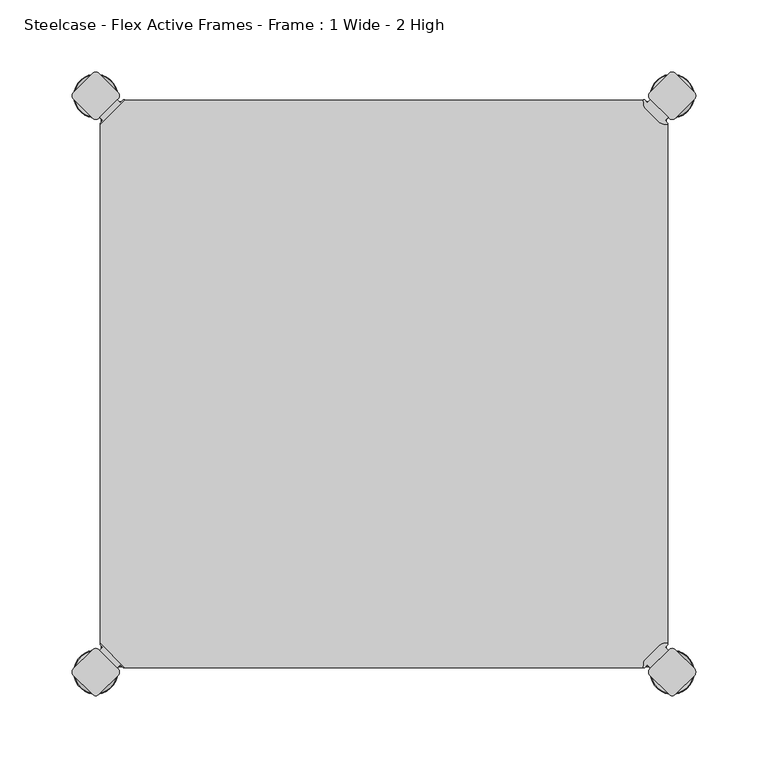
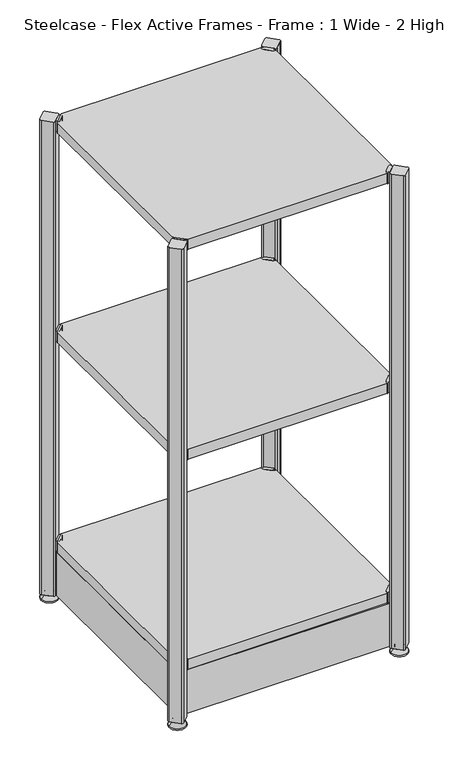
"""IFC4 building model written with IfcOpenShell, lengths in millimetres: furniture geometry, Steelcase - Flex Active Frames - Frame : 1 Wide - 2 High."""

from ifc_helpers import new_model, si_unit, point, frame, frame_2d, origin, place, context, project, spatial, polyline, circle_curve, ellipse_curve, trimmed, segment, composite_curve, outline, extrude, source, transform, mapped, element, save
from ifc_brep_helpers import plane_surface, cylinder_surface, revolved_surface, advanced_brep


def steelcase_flex_active_frames_frame_1_wide_2_high_b37c4fc7(model_context):
    return source(origin(), model_context, "Body", "SolidModel", [
        advanced_brep(
        [(397.0189896, -396.9286835, 0.0), (410.9677105, -396.9286835, 0.0), (383.0702688, -396.9286835, 0.0), (411.9146181, -396.9286835, 2.116325), (382.1233612, -396.9286835, 2.116325), (405.7623742, -396.9286835, 8.9997406), (388.2756051, -396.9286835, 8.9997406), (404.4198582, -396.9286835, 8.9997406), (389.6181211, -396.9286835, 8.9997406), (404.4198582, -396.9286835, 12.0919909), (389.6181211, -396.9286835, 12.0919909), (403.9118582, -396.9286835, 12.5999909), (390.1261211, -396.9286835, 12.5999909), (401.03832, -396.9286835, 12.5999909), (392.9996593, -396.9286835, 12.5999909), (401.03832, -396.9286835, 22.7146261), (392.9996593, -396.9286835, 22.7146261), (397.0189896, -396.9286835, 22.7146261)],
        [
            (0, 1),
            (1, 2, circle_curve(frame((397.0189896, -396.9286835, 0.0), z_axis=(0.0, 0.0, -1.0), x_axis=(1.0, 0.0, 0.0)), 13.9487209)),
            (2, 0),
            (2, 1, circle_curve(frame((397.0189896, -396.9286835, 0.0), z_axis=(0.0, 0.0, -1.0), x_axis=(1.0, 0.0, 0.0)), 13.9487209)),
            (1, 3, circle_curve(frame((410.9677105, -396.9286835, 1.27), z_axis=(0.0, -1.0, 0.0), x_axis=(1.0, 0.0, 0.0)), 1.27)),
            (3, 4, circle_curve(frame((397.0189896, -396.9286835, 2.116325), z_axis=(0.0, 0.0, -1.0), x_axis=(1.0, 0.0, 0.0)), 14.8956285)),
            (4, 2, circle_curve(frame((383.0702688, -396.9286835, 1.27), z_axis=(0.0, -1.0, 0.0), x_axis=(-1.0, 0.0, 0.0)), 1.27)),
            (4, 3, circle_curve(frame((397.0189896, -396.9286835, 2.116325), z_axis=(0.0, 0.0, -1.0), x_axis=(1.0, 0.0, 0.0)), 14.8956285)),
            (3, 5),
            (5, 6, circle_curve(frame((397.0189896, -396.9286835, 8.9997406), z_axis=(0.0, 0.0, -1.0), x_axis=(1.0, 0.0, 0.0)), 8.7433846)),
            (6, 4),
            (6, 5, circle_curve(frame((397.0189896, -396.9286835, 8.9997406), z_axis=(0.0, 0.0, -1.0), x_axis=(1.0, 0.0, 0.0)), 8.7433846)),
            (5, 7),
            (7, 8, circle_curve(frame((397.0189896, -396.9286835, 8.9997406), z_axis=(0.0, 0.0, -1.0), x_axis=(1.0, 0.0, 0.0)), 7.4008685)),
            (8, 6),
            (8, 7, circle_curve(frame((397.0189896, -396.9286835, 8.9997406), z_axis=(0.0, 0.0, -1.0), x_axis=(1.0, 0.0, 0.0)), 7.4008685)),
            (7, 9),
            (9, 10, circle_curve(frame((397.0189896, -396.9286835, 12.0919909), z_axis=(0.0, 0.0, -1.0), x_axis=(1.0, 0.0, 0.0)), 7.4008685)),
            (10, 8),
            (10, 9, circle_curve(frame((397.0189896, -396.9286835, 12.0919909), z_axis=(0.0, 0.0, -1.0), x_axis=(1.0, 0.0, 0.0)), 7.4008685)),
            (9, 11, circle_curve(frame((403.9118582, -396.9286835, 12.0919909), z_axis=(0.0, -1.0, 0.0), x_axis=(1.0, 0.0, 0.0)), 0.508)),
            (11, 12, circle_curve(frame((397.0189896, -396.9286835, 12.5999909), z_axis=(0.0, 0.0, -1.0), x_axis=(1.0, 0.0, 0.0)), 6.8928685)),
            (12, 10, circle_curve(frame((390.1261211, -396.9286835, 12.0919909), z_axis=(0.0, -1.0, 0.0), x_axis=(-1.0, 0.0, 0.0)), 0.508)),
            (12, 11, circle_curve(frame((397.0189896, -396.9286835, 12.5999909), z_axis=(0.0, 0.0, -1.0), x_axis=(1.0, 0.0, 0.0)), 6.8928685)),
            (11, 13),
            (13, 14, circle_curve(frame((397.0189896, -396.9286835, 12.5999909), z_axis=(0.0, 0.0, -1.0), x_axis=(1.0, 0.0, 0.0)), 4.0193303)),
            (14, 12),
            (14, 13, circle_curve(frame((397.0189896, -396.9286835, 12.5999909), z_axis=(0.0, 0.0, -1.0), x_axis=(1.0, 0.0, 0.0)), 4.0193303)),
            (13, 15),
            (15, 16, circle_curve(frame((397.0189896, -396.9286835, 22.7146261), z_axis=(0.0, 0.0, -1.0), x_axis=(1.0, 0.0, 0.0)), 4.0193303)),
            (16, 14),
            (16, 15, circle_curve(frame((397.0189896, -396.9286835, 22.7146261), z_axis=(0.0, 0.0, -1.0), x_axis=(1.0, 0.0, 0.0)), 4.0193303)),
            (15, 17),
            (17, 16),
        ],
        [
            plane_surface(frame((397.0189896, -396.9286835, 0.0), z_axis=(0.0, 0.0, -1.0), x_axis=(1.0, 0.0, 0.0))),
            revolved_surface(trimmed(ellipse_curve(frame((410.9677105, -396.9286835, 1.27), z_axis=(0.0, 1.0, 0.0), x_axis=(1.0, 0.0, 0.0)), 1.27, 1.27), [point((411.9146181, -396.9286835, 2.116325))], [point((410.9677105, -396.9286835, 0.0))], True, "CARTESIAN"), (397.0189896, -396.9286835, 32.0514718), (0.0, 0.0, -1.0)),
            revolved_surface(polyline([(405.7623742, -396.9286835, 8.9997406), (411.9146181, -396.9286835, 2.116325)]), (397.0189896, -396.9286835, 32.0514718), (0.0, 0.0, -1.0)),
            plane_surface(frame((397.0189896, -396.9286835, 8.9997406), z_axis=(0.0, 0.0, 1.0), x_axis=(1.0, 0.0, 0.0))),
            cylinder_surface(frame((397.0189896, -396.9286835, 32.0514718), z_axis=(0.0, 0.0, -1.0), x_axis=(1.0, 0.0, 0.0)), 7.4008685),
            revolved_surface(trimmed(ellipse_curve(frame((403.9118582, -396.9286835, 12.0919909), z_axis=(0.0, 1.0, 0.0), x_axis=(1.0, 0.0, 0.0)), 0.508, 0.508), [point((403.9118582, -396.9286835, 12.5999909))], [point((404.4198582, -396.9286835, 12.0919909))], True, "CARTESIAN"), (397.0189896, -396.9286835, 32.0514718), (0.0, 0.0, -1.0)),
            plane_surface(frame((397.0189896, -396.9286835, 12.5999909), z_axis=(0.0, 0.0, 1.0), x_axis=(1.0, 0.0, 0.0))),
            cylinder_surface(frame((397.0189896, -396.9286835, 32.0514718), z_axis=(0.0, 0.0, -1.0), x_axis=(1.0, 0.0, 0.0)), 4.0193303),
            plane_surface(frame((397.0189896, -396.9286835, 22.7146261), z_axis=(0.0, 0.0, 1.0), x_axis=(1.0, 0.0, 0.0))),
        ],
        [
            (0, [[1, 2, 3]]),
            (0, [[-3, 4, -1]]),
            (1, [[-2, 5, 6, 7]]),
            (1, [[-4, -7, 8, -5]]),
            (2, [[-6, 9, 10, 11]]),
            (2, [[-8, -11, 12, -9]]),
            (3, [[-10, 13, 14, 15]]),
            (3, [[-12, -15, 16, -13]]),
            (4, [[-14, 17, 18, 19]]),
            (4, [[-16, -19, 20, -17]]),
            (5, [[-18, 21, 22, 23]]),
            (5, [[-20, -23, 24, -21]]),
            (6, [[-22, 25, 26, 27]]),
            (6, [[-24, -27, 28, -25]]),
            (7, [[-26, 29, 30, 31]]),
            (7, [[-28, -31, 32, -29]]),
            (8, [[-30, 33, 34]]),
            (8, [[-32, -34, -33]]),
        ],
    ),
        advanced_brep(
        [(397.0189896, 2.9246323, 0.0), (383.0702688, 2.9246323, 0.0), (410.9677105, 2.9246323, 0.0), (382.1233612, 2.9246323, 2.116325), (411.9146181, 2.9246323, 2.116325), (388.2756051, 2.9246323, 8.9997406), (405.7623742, 2.9246323, 8.9997406), (389.6181211, 2.9246323, 8.9997406), (404.4198582, 2.9246323, 8.9997406), (389.6181211, 2.9246323, 12.0919909), (404.4198582, 2.9246323, 12.0919909), (390.1261211, 2.9246323, 12.5999909), (403.9118582, 2.9246323, 12.5999909), (392.9996593, 2.9246323, 12.5999909), (401.03832, 2.9246323, 12.5999909), (392.9996593, 2.9246323, 22.7146261), (401.03832, 2.9246323, 22.7146261), (397.0189896, 2.9246323, 22.7146261)],
        [
            (0, 1),
            (1, 2, circle_curve(frame((397.0189896, 2.9246323, 0.0), z_axis=(0.0, 0.0, -1.0), x_axis=(1.0, 0.0, 0.0)), 13.9487209)),
            (2, 0),
            (2, 1, circle_curve(frame((397.0189896, 2.9246323, 0.0), z_axis=(0.0, 0.0, -1.0), x_axis=(1.0, 0.0, 0.0)), 13.9487209)),
            (1, 3, circle_curve(frame((383.0702688, 2.9246323, 1.27), z_axis=(0.0, 1.0, 0.0), x_axis=(-1.0, 0.0, 0.0)), 1.27)),
            (3, 4, circle_curve(frame((397.0189896, 2.9246323, 2.116325), z_axis=(0.0, 0.0, -1.0), x_axis=(1.0, 0.0, 0.0)), 14.8956285)),
            (4, 2, circle_curve(frame((410.9677105, 2.9246323, 1.27), z_axis=(0.0, 1.0, 0.0), x_axis=(1.0, 0.0, 0.0)), 1.27)),
            (4, 3, circle_curve(frame((397.0189896, 2.9246323, 2.116325), z_axis=(0.0, 0.0, -1.0), x_axis=(1.0, 0.0, 0.0)), 14.8956285)),
            (3, 5),
            (5, 6, circle_curve(frame((397.0189896, 2.9246323, 8.9997406), z_axis=(0.0, 0.0, -1.0), x_axis=(1.0, 0.0, 0.0)), 8.7433846)),
            (6, 4),
            (6, 5, circle_curve(frame((397.0189896, 2.9246323, 8.9997406), z_axis=(0.0, 0.0, -1.0), x_axis=(1.0, 0.0, 0.0)), 8.7433846)),
            (5, 7),
            (7, 8, circle_curve(frame((397.0189896, 2.9246323, 8.9997406), z_axis=(0.0, 0.0, -1.0), x_axis=(1.0, 0.0, 0.0)), 7.4008685)),
            (8, 6),
            (8, 7, circle_curve(frame((397.0189896, 2.9246323, 8.9997406), z_axis=(0.0, 0.0, -1.0), x_axis=(1.0, 0.0, 0.0)), 7.4008685)),
            (7, 9),
            (9, 10, circle_curve(frame((397.0189896, 2.9246323, 12.0919909), z_axis=(0.0, 0.0, -1.0), x_axis=(1.0, 0.0, 0.0)), 7.4008685)),
            (10, 8),
            (10, 9, circle_curve(frame((397.0189896, 2.9246323, 12.0919909), z_axis=(0.0, 0.0, -1.0), x_axis=(1.0, 0.0, 0.0)), 7.4008685)),
            (9, 11, circle_curve(frame((390.1261211, 2.9246323, 12.0919909), z_axis=(0.0, 1.0, 0.0), x_axis=(-1.0, 0.0, 0.0)), 0.508)),
            (11, 12, circle_curve(frame((397.0189896, 2.9246323, 12.5999909), z_axis=(0.0, 0.0, -1.0), x_axis=(1.0, 0.0, 0.0)), 6.8928685)),
            (12, 10, circle_curve(frame((403.9118582, 2.9246323, 12.0919909), z_axis=(0.0, 1.0, 0.0), x_axis=(1.0, 0.0, 0.0)), 0.508)),
            (12, 11, circle_curve(frame((397.0189896, 2.9246323, 12.5999909), z_axis=(0.0, 0.0, -1.0), x_axis=(1.0, 0.0, 0.0)), 6.8928685)),
            (11, 13),
            (13, 14, circle_curve(frame((397.0189896, 2.9246323, 12.5999909), z_axis=(0.0, 0.0, -1.0), x_axis=(1.0, 0.0, 0.0)), 4.0193303)),
            (14, 12),
            (14, 13, circle_curve(frame((397.0189896, 2.9246323, 12.5999909), z_axis=(0.0, 0.0, -1.0), x_axis=(1.0, 0.0, 0.0)), 4.0193303)),
            (13, 15),
            (15, 16, circle_curve(frame((397.0189896, 2.9246323, 22.7146261), z_axis=(0.0, 0.0, -1.0), x_axis=(1.0, 0.0, 0.0)), 4.0193303)),
            (16, 14),
            (16, 15, circle_curve(frame((397.0189896, 2.9246323, 22.7146261), z_axis=(0.0, 0.0, -1.0), x_axis=(1.0, 0.0, 0.0)), 4.0193303)),
            (15, 17),
            (17, 16),
        ],
        [
            plane_surface(frame((397.0189896, 2.9246323, 0.0), z_axis=(0.0, 0.0, -1.0), x_axis=(1.0, 0.0, 0.0))),
            revolved_surface(trimmed(ellipse_curve(frame((410.9677105, 2.9246323, 1.27), z_axis=(0.0, 1.0, 0.0), x_axis=(1.0, 0.0, 0.0)), 1.27, 1.27), [point((411.9146181, 2.9246323, 2.116325))], [point((410.9677105, 2.9246323, 0.0))], True, "CARTESIAN"), (397.0189896, 2.9246323, 32.0514718), (0.0, 0.0, -1.0)),
            revolved_surface(polyline([(405.7623742, 2.9246323, 8.9997406), (411.9146181, 2.9246323, 2.116325)]), (397.0189896, 2.9246323, 32.0514718), (0.0, 0.0, -1.0)),
            plane_surface(frame((397.0189896, 2.9246323, 8.9997406), z_axis=(0.0, 0.0, 1.0), x_axis=(1.0, 0.0, 0.0))),
            cylinder_surface(frame((397.0189896, 2.9246323, 32.0514718), z_axis=(0.0, 0.0, -1.0), x_axis=(1.0, 0.0, 0.0)), 7.4008685),
            revolved_surface(trimmed(ellipse_curve(frame((403.9118582, 2.9246323, 12.0919909), z_axis=(0.0, 1.0, 0.0), x_axis=(1.0, 0.0, 0.0)), 0.508, 0.508), [point((403.9118582, 2.9246323, 12.5999909))], [point((404.4198582, 2.9246323, 12.0919909))], True, "CARTESIAN"), (397.0189896, 2.9246323, 32.0514718), (0.0, 0.0, -1.0)),
            plane_surface(frame((397.0189896, 2.9246323, 12.5999909), z_axis=(0.0, 0.0, 1.0), x_axis=(1.0, 0.0, 0.0))),
            cylinder_surface(frame((397.0189896, 2.9246323, 32.0514718), z_axis=(0.0, 0.0, -1.0), x_axis=(1.0, 0.0, 0.0)), 4.0193303),
            plane_surface(frame((397.0189896, 2.9246323, 22.7146261), z_axis=(0.0, 0.0, 1.0), x_axis=(1.0, 0.0, 0.0))),
        ],
        [
            (0, [[1, 2, 3]]),
            (0, [[-3, 4, -1]]),
            (1, [[5, 6, 7, -2]]),
            (1, [[-7, 8, -5, -4]]),
            (2, [[9, 10, 11, -6]]),
            (2, [[-11, 12, -9, -8]]),
            (3, [[13, 14, 15, -10]]),
            (3, [[-15, 16, -13, -12]]),
            (4, [[17, 18, 19, -14]]),
            (4, [[-19, 20, -17, -16]]),
            (5, [[21, 22, 23, -18]]),
            (5, [[-23, 24, -21, -20]]),
            (6, [[25, 26, 27, -22]]),
            (6, [[-27, 28, -25, -24]]),
            (7, [[29, 30, 31, -26]]),
            (7, [[-31, 32, -29, -28]]),
            (8, [[33, 34, -30]]),
            (8, [[-34, -33, -32]]),
        ],
    ),
        advanced_brep(
        [(-3.0195166, -396.8786323, 0.0), (10.9292042, -396.8786323, 0.0), (-16.9682375, -396.8786323, 0.0), (11.8761118, -396.8786323, 2.116325), (-17.9151451, -396.8786323, 2.116325), (5.7238679, -396.8786323, 8.9997406), (-11.7629012, -396.8786323, 8.9997406), (4.3813519, -396.8786323, 8.9997406), (-10.4203852, -396.8786323, 8.9997406), (4.3813519, -396.8786323, 12.0919909), (-10.4203852, -396.8786323, 12.0919909), (3.8733519, -396.8786323, 12.5999909), (-9.9123852, -396.8786323, 12.5999909), (0.9998137, -396.8786323, 12.5999909), (-7.038847, -396.8786323, 12.5999909), (0.9998137, -396.8786323, 22.7146261), (-7.038847, -396.8786323, 22.7146261), (-3.0195166, -396.8786323, 22.7146261)],
        [
            (0, 1),
            (1, 2, circle_curve(frame((-3.0195166, -396.8786323, 0.0), z_axis=(0.0, 0.0, -1.0), x_axis=(-1.0, 0.0, 0.0)), 13.9487209)),
            (2, 0),
            (2, 1, circle_curve(frame((-3.0195166, -396.8786323, 0.0), z_axis=(0.0, 0.0, -1.0), x_axis=(-1.0, 0.0, 0.0)), 13.9487209)),
            (1, 3, circle_curve(frame((10.9292042, -396.8786323, 1.27), z_axis=(0.0, -1.0, 0.0), x_axis=(1.0, 0.0, 0.0)), 1.27)),
            (3, 4, circle_curve(frame((-3.0195166, -396.8786323, 2.116325), z_axis=(0.0, 0.0, -1.0), x_axis=(-1.0, 0.0, 0.0)), 14.8956285)),
            (4, 2, circle_curve(frame((-16.9682375, -396.8786323, 1.27), z_axis=(0.0, -1.0, 0.0), x_axis=(-1.0, 0.0, 0.0)), 1.27)),
            (4, 3, circle_curve(frame((-3.0195166, -396.8786323, 2.116325), z_axis=(0.0, 0.0, -1.0), x_axis=(-1.0, 0.0, 0.0)), 14.8956285)),
            (3, 5),
            (5, 6, circle_curve(frame((-3.0195166, -396.8786323, 8.9997406), z_axis=(0.0, 0.0, -1.0), x_axis=(-1.0, 0.0, 0.0)), 8.7433846)),
            (6, 4),
            (6, 5, circle_curve(frame((-3.0195166, -396.8786323, 8.9997406), z_axis=(0.0, 0.0, -1.0), x_axis=(-1.0, 0.0, 0.0)), 8.7433846)),
            (5, 7),
            (7, 8, circle_curve(frame((-3.0195166, -396.8786323, 8.9997406), z_axis=(0.0, 0.0, -1.0), x_axis=(-1.0, 0.0, 0.0)), 7.4008685)),
            (8, 6),
            (8, 7, circle_curve(frame((-3.0195166, -396.8786323, 8.9997406), z_axis=(0.0, 0.0, -1.0), x_axis=(-1.0, 0.0, 0.0)), 7.4008685)),
            (7, 9),
            (9, 10, circle_curve(frame((-3.0195166, -396.8786323, 12.0919909), z_axis=(0.0, 0.0, -1.0), x_axis=(-1.0, 0.0, 0.0)), 7.4008685)),
            (10, 8),
            (10, 9, circle_curve(frame((-3.0195166, -396.8786323, 12.0919909), z_axis=(0.0, 0.0, -1.0), x_axis=(-1.0, 0.0, 0.0)), 7.4008685)),
            (9, 11, circle_curve(frame((3.8733519, -396.8786323, 12.0919909), z_axis=(0.0, -1.0, 0.0), x_axis=(1.0, 0.0, 0.0)), 0.508)),
            (11, 12, circle_curve(frame((-3.0195166, -396.8786323, 12.5999909), z_axis=(0.0, 0.0, -1.0), x_axis=(-1.0, 0.0, 0.0)), 6.8928685)),
            (12, 10, circle_curve(frame((-9.9123852, -396.8786323, 12.0919909), z_axis=(0.0, -1.0, 0.0), x_axis=(-1.0, 0.0, 0.0)), 0.508)),
            (12, 11, circle_curve(frame((-3.0195166, -396.8786323, 12.5999909), z_axis=(0.0, 0.0, -1.0), x_axis=(-1.0, 0.0, 0.0)), 6.8928685)),
            (11, 13),
            (13, 14, circle_curve(frame((-3.0195166, -396.8786323, 12.5999909), z_axis=(0.0, 0.0, -1.0), x_axis=(-1.0, 0.0, 0.0)), 4.0193303)),
            (14, 12),
            (14, 13, circle_curve(frame((-3.0195166, -396.8786323, 12.5999909), z_axis=(0.0, 0.0, -1.0), x_axis=(-1.0, 0.0, 0.0)), 4.0193303)),
            (13, 15),
            (15, 16, circle_curve(frame((-3.0195166, -396.8786323, 22.7146261), z_axis=(0.0, 0.0, -1.0), x_axis=(-1.0, 0.0, 0.0)), 4.0193303)),
            (16, 14),
            (16, 15, circle_curve(frame((-3.0195166, -396.8786323, 22.7146261), z_axis=(0.0, 0.0, -1.0), x_axis=(-1.0, 0.0, 0.0)), 4.0193303)),
            (15, 17),
            (17, 16),
        ],
        [
            plane_surface(frame((-3.0195166, -396.8786323, 0.0), z_axis=(0.0, 0.0, -1.0), x_axis=(-1.0, 0.0, 0.0))),
            revolved_surface(trimmed(ellipse_curve(frame((-16.9682375, -396.8786323, 1.27), z_axis=(0.0, -1.0, 0.0), x_axis=(-1.0, 0.0, 0.0)), 1.27, 1.27), [point((-17.9151451, -396.8786323, 2.116325))], [point((-16.9682375, -396.8786323, 0.0))], True, "CARTESIAN"), (-3.0195166, -396.8786323, 32.0514718), (0.0, 0.0, -1.0)),
            revolved_surface(polyline([(-11.7629012, -396.8786323, 8.9997406), (-17.9151451, -396.8786323, 2.116325)]), (-3.0195166, -396.8786323, 32.0514718), (0.0, 0.0, -1.0)),
            plane_surface(frame((-3.0195166, -396.8786323, 8.9997406), z_axis=(0.0, 0.0, 1.0), x_axis=(-1.0, 0.0, 0.0))),
            cylinder_surface(frame((-3.0195166, -396.8786323, 32.0514718), z_axis=(0.0, 0.0, -1.0), x_axis=(-1.0, 0.0, 0.0)), 7.4008685),
            revolved_surface(trimmed(ellipse_curve(frame((-9.9123852, -396.8786323, 12.0919909), z_axis=(0.0, -1.0, 0.0), x_axis=(-1.0, 0.0, 0.0)), 0.508, 0.508), [point((-9.9123852, -396.8786323, 12.5999909))], [point((-10.4203852, -396.8786323, 12.0919909))], True, "CARTESIAN"), (-3.0195166, -396.8786323, 32.0514718), (0.0, 0.0, -1.0)),
            plane_surface(frame((-3.0195166, -396.8786323, 12.5999909), z_axis=(0.0, 0.0, 1.0), x_axis=(-1.0, 0.0, 0.0))),
            cylinder_surface(frame((-3.0195166, -396.8786323, 32.0514718), z_axis=(0.0, 0.0, -1.0), x_axis=(-1.0, 0.0, 0.0)), 4.0193303),
            plane_surface(frame((-3.0195166, -396.8786323, 22.7146261), z_axis=(0.0, 0.0, 1.0), x_axis=(-1.0, 0.0, 0.0))),
        ],
        [
            (0, [[1, 2, 3]]),
            (0, [[-3, 4, -1]]),
            (1, [[5, 6, 7, -2]]),
            (1, [[-7, 8, -5, -4]]),
            (2, [[9, 10, 11, -6]]),
            (2, [[-11, 12, -9, -8]]),
            (3, [[13, 14, 15, -10]]),
            (3, [[-15, 16, -13, -12]]),
            (4, [[17, 18, 19, -14]]),
            (4, [[-19, 20, -17, -16]]),
            (5, [[21, 22, 23, -18]]),
            (5, [[-23, 24, -21, -20]]),
            (6, [[25, 26, 27, -22]]),
            (6, [[-27, 28, -25, -24]]),
            (7, [[29, 30, 31, -26]]),
            (7, [[-31, 32, -29, -28]]),
            (8, [[33, 34, -30]]),
            (8, [[-34, -33, -32]]),
        ],
    ),
        advanced_brep(
        [(-3.0195166, 2.9246323, 0.0), (-16.9682375, 2.9246323, 0.0), (10.9292042, 2.9246323, 0.0), (-17.9151451, 2.9246323, 2.116325), (11.8761118, 2.9246323, 2.116325), (-11.7629012, 2.9246323, 8.9997406), (5.7238679, 2.9246323, 8.9997406), (-10.4203852, 2.9246323, 8.9997406), (4.3813519, 2.9246323, 8.9997406), (-10.4203852, 2.9246323, 12.0919909), (4.3813519, 2.9246323, 12.0919909), (-9.9123852, 2.9246323, 12.5999909), (3.8733519, 2.9246323, 12.5999909), (-7.038847, 2.9246323, 12.5999909), (0.9998137, 2.9246323, 12.5999909), (-7.038847, 2.9246323, 22.7146261), (0.9998137, 2.9246323, 22.7146261), (-3.0195166, 2.9246323, 22.7146261)],
        [
            (0, 1),
            (1, 2, circle_curve(frame((-3.0195166, 2.9246323, 0.0), z_axis=(0.0, 0.0, -1.0), x_axis=(-1.0, 0.0, 0.0)), 13.9487209)),
            (2, 0),
            (2, 1, circle_curve(frame((-3.0195166, 2.9246323, 0.0), z_axis=(0.0, 0.0, -1.0), x_axis=(-1.0, 0.0, 0.0)), 13.9487209)),
            (1, 3, circle_curve(frame((-16.9682375, 2.9246323, 1.27), z_axis=(0.0, 1.0, 0.0), x_axis=(-1.0, 0.0, 0.0)), 1.27)),
            (3, 4, circle_curve(frame((-3.0195166, 2.9246323, 2.116325), z_axis=(0.0, 0.0, -1.0), x_axis=(-1.0, 0.0, 0.0)), 14.8956285)),
            (4, 2, circle_curve(frame((10.9292042, 2.9246323, 1.27), z_axis=(0.0, 1.0, 0.0), x_axis=(1.0, 0.0, 0.0)), 1.27)),
            (4, 3, circle_curve(frame((-3.0195166, 2.9246323, 2.116325), z_axis=(0.0, 0.0, -1.0), x_axis=(-1.0, 0.0, 0.0)), 14.8956285)),
            (3, 5),
            (5, 6, circle_curve(frame((-3.0195166, 2.9246323, 8.9997406), z_axis=(0.0, 0.0, -1.0), x_axis=(-1.0, 0.0, 0.0)), 8.7433846)),
            (6, 4),
            (6, 5, circle_curve(frame((-3.0195166, 2.9246323, 8.9997406), z_axis=(0.0, 0.0, -1.0), x_axis=(-1.0, 0.0, 0.0)), 8.7433846)),
            (5, 7),
            (7, 8, circle_curve(frame((-3.0195166, 2.9246323, 8.9997406), z_axis=(0.0, 0.0, -1.0), x_axis=(-1.0, 0.0, 0.0)), 7.4008685)),
            (8, 6),
            (8, 7, circle_curve(frame((-3.0195166, 2.9246323, 8.9997406), z_axis=(0.0, 0.0, -1.0), x_axis=(-1.0, 0.0, 0.0)), 7.4008685)),
            (7, 9),
            (9, 10, circle_curve(frame((-3.0195166, 2.9246323, 12.0919909), z_axis=(0.0, 0.0, -1.0), x_axis=(-1.0, 0.0, 0.0)), 7.4008685)),
            (10, 8),
            (10, 9, circle_curve(frame((-3.0195166, 2.9246323, 12.0919909), z_axis=(0.0, 0.0, -1.0), x_axis=(-1.0, 0.0, 0.0)), 7.4008685)),
            (9, 11, circle_curve(frame((-9.9123852, 2.9246323, 12.0919909), z_axis=(0.0, 1.0, 0.0), x_axis=(-1.0, 0.0, 0.0)), 0.508)),
            (11, 12, circle_curve(frame((-3.0195166, 2.9246323, 12.5999909), z_axis=(0.0, 0.0, -1.0), x_axis=(-1.0, 0.0, 0.0)), 6.8928685)),
            (12, 10, circle_curve(frame((3.8733519, 2.9246323, 12.0919909), z_axis=(0.0, 1.0, 0.0), x_axis=(1.0, 0.0, 0.0)), 0.508)),
            (12, 11, circle_curve(frame((-3.0195166, 2.9246323, 12.5999909), z_axis=(0.0, 0.0, -1.0), x_axis=(-1.0, 0.0, 0.0)), 6.8928685)),
            (11, 13),
            (13, 14, circle_curve(frame((-3.0195166, 2.9246323, 12.5999909), z_axis=(0.0, 0.0, -1.0), x_axis=(-1.0, 0.0, 0.0)), 4.0193303)),
            (14, 12),
            (14, 13, circle_curve(frame((-3.0195166, 2.9246323, 12.5999909), z_axis=(0.0, 0.0, -1.0), x_axis=(-1.0, 0.0, 0.0)), 4.0193303)),
            (13, 15),
            (15, 16, circle_curve(frame((-3.0195166, 2.9246323, 22.7146261), z_axis=(0.0, 0.0, -1.0), x_axis=(-1.0, 0.0, 0.0)), 4.0193303)),
            (16, 14),
            (16, 15, circle_curve(frame((-3.0195166, 2.9246323, 22.7146261), z_axis=(0.0, 0.0, -1.0), x_axis=(-1.0, 0.0, 0.0)), 4.0193303)),
            (15, 17),
            (17, 16),
        ],
        [
            plane_surface(frame((-3.0195166, 2.9246323, 0.0), z_axis=(0.0, 0.0, -1.0), x_axis=(-1.0, 0.0, 0.0))),
            revolved_surface(trimmed(ellipse_curve(frame((-16.9682375, 2.9246323, 1.27), z_axis=(0.0, -1.0, 0.0), x_axis=(-1.0, 0.0, 0.0)), 1.27, 1.27), [point((-17.9151451, 2.9246323, 2.116325))], [point((-16.9682375, 2.9246323, 0.0))], True, "CARTESIAN"), (-3.0195166, 2.9246323, 32.0514718), (0.0, 0.0, -1.0)),
            revolved_surface(polyline([(-11.7629012, 2.9246323, 8.9997406), (-17.9151451, 2.9246323, 2.116325)]), (-3.0195166, 2.9246323, 32.0514718), (0.0, 0.0, -1.0)),
            plane_surface(frame((-3.0195166, 2.9246323, 8.9997406), z_axis=(0.0, 0.0, 1.0), x_axis=(-1.0, 0.0, 0.0))),
            cylinder_surface(frame((-3.0195166, 2.9246323, 32.0514718), z_axis=(0.0, 0.0, -1.0), x_axis=(-1.0, 0.0, 0.0)), 7.4008685),
            revolved_surface(trimmed(ellipse_curve(frame((-9.9123852, 2.9246323, 12.0919909), z_axis=(0.0, -1.0, 0.0), x_axis=(-1.0, 0.0, 0.0)), 0.508, 0.508), [point((-9.9123852, 2.9246323, 12.5999909))], [point((-10.4203852, 2.9246323, 12.0919909))], True, "CARTESIAN"), (-3.0195166, 2.9246323, 32.0514718), (0.0, 0.0, -1.0)),
            plane_surface(frame((-3.0195166, 2.9246323, 12.5999909), z_axis=(0.0, 0.0, 1.0), x_axis=(-1.0, 0.0, 0.0))),
            cylinder_surface(frame((-3.0195166, 2.9246323, 32.0514718), z_axis=(0.0, 0.0, -1.0), x_axis=(-1.0, 0.0, 0.0)), 4.0193303),
            plane_surface(frame((-3.0195166, 2.9246323, 22.7146261), z_axis=(0.0, 0.0, 1.0), x_axis=(-1.0, 0.0, 0.0))),
        ],
        [
            (0, [[1, 2, 3]]),
            (0, [[-3, 4, -1]]),
            (1, [[-2, 5, 6, 7]]),
            (1, [[-4, -7, 8, -5]]),
            (2, [[-6, 9, 10, 11]]),
            (2, [[-8, -11, 12, -9]]),
            (3, [[-10, 13, 14, 15]]),
            (3, [[-12, -15, 16, -13]]),
            (4, [[-14, 17, 18, 19]]),
            (4, [[-16, -19, 20, -17]]),
            (5, [[-18, 21, 22, 23]]),
            (5, [[-20, -23, 24, -21]]),
            (6, [[-22, 25, 26, 27]]),
            (6, [[-24, -27, 28, -25]]),
            (7, [[-26, 29, 30, 31]]),
            (7, [[-28, -31, 32, -29]]),
            (8, [[-30, 33, 34]]),
            (8, [[-32, -34, -33]]),
        ],
    ),
        extrude(outline(composite_curve([segment(polyline([(379.8559087, -1.93874), (381.9438741, 0.1493247), (394.1381758, -12.044977), (392.050245, -14.1329326), (394.0211787, -16.1038431), (394.0089928, -17.203916), (391.2738542, -16.8384277)]), True, "CONTINUOUS"), segment(trimmed(circle_curve(frame_2d((392.1149096, -10.5443729)), 6.35), [point((391.2738542, -16.8384277))], [point((387.6247514, -15.0344708))], False, "CARTESIAN"), True, "CONTINUOUS"), segment(polyline([(387.6247514, -15.0344708), (378.9554584, -6.3650612)]), True, "CONTINUOUS"), segment(trimmed(circle_curve(frame_2d((383.4456166, -1.8749633)), 6.35), [point((378.9554584, -6.3650612))], [point((377.1515853, -2.7161946))], False, "CARTESIAN"), True, "CONTINUOUS"), segment(polyline([(377.1515853, -2.7161946), (376.786013, 0.0189911), (377.8859459, 0.0311996), (379.8559087, -1.93874)]), True, "CONTINUOUS")], self_intersect=False)), frame((0.0, 0.0, 896.4822952), z_axis=(0.0, 0.0, 1.0), x_axis=(1.0, 0.0, 0.0)), (0.0, 0.0, 1.0), 20.2281258),
        extrude(outline(composite_curve([segment(polyline([(379.8559087, -392.01526), (377.8859459, -393.9851996), (376.786013, -393.9729911), (377.1515853, -391.2378054)]), True, "CONTINUOUS"), segment(trimmed(circle_curve(frame_2d((383.4456166, -392.0790367)), 6.35), [point((377.1515853, -391.2378054))], [point((378.9554584, -387.5889388))], False, "CARTESIAN"), True, "CONTINUOUS"), segment(polyline([(378.9554584, -387.5889388), (387.6247514, -378.9195292)]), True, "CONTINUOUS"), segment(trimmed(circle_curve(frame_2d((392.1149096, -383.4096271)), 6.35), [point((387.6247514, -378.9195292))], [point((391.2738542, -377.1155723))], False, "CARTESIAN"), True, "CONTINUOUS"), segment(polyline([(391.2738542, -377.1155723), (394.0089928, -376.750084), (394.0211787, -377.8501569), (392.050245, -379.8210674), (394.1381758, -381.909023), (381.9438741, -394.1033247), (379.8559087, -392.01526)]), True, "CONTINUOUS")], self_intersect=False)), frame((0.0, 0.0, 896.4822952), z_axis=(0.0, 0.0, 1.0), x_axis=(1.0, 0.0, 0.0)), (0.0, 0.0, 1.0), 20.2281258),
        extrude(outline(composite_curve([segment(polyline([(379.8559087, -1.93874), (381.9438741, 0.1493247), (394.1381758, -12.044977), (392.050245, -14.1329326), (394.0211787, -16.1038431), (394.0089928, -17.203916), (391.2738542, -16.8384277)]), True, "CONTINUOUS"), segment(trimmed(circle_curve(frame_2d((392.1149096, -10.5443729)), 6.35), [point((391.2738542, -16.8384277))], [point((387.6247514, -15.0344708))], False, "CARTESIAN"), True, "CONTINUOUS"), segment(polyline([(387.6247514, -15.0344708), (378.9554584, -6.3650612)]), True, "CONTINUOUS"), segment(trimmed(circle_curve(frame_2d((383.4456166, -1.8749633)), 6.35), [point((378.9554584, -6.3650612))], [point((377.1515853, -2.7161946))], False, "CARTESIAN"), True, "CONTINUOUS"), segment(polyline([(377.1515853, -2.7161946), (376.786013, 0.0189911), (377.8859459, 0.0311996), (379.8559087, -1.93874)]), True, "CONTINUOUS")], self_intersect=False)), frame((0.0, 0.0, 496.4821468), z_axis=(0.0, 0.0, 1.0), x_axis=(1.0, 0.0, 0.0)), (0.0, 0.0, 1.0), 20.2281258),
        extrude(outline(composite_curve([segment(polyline([(379.8559087, -392.01526), (377.8859459, -393.9851996), (376.786013, -393.9729911), (377.1515853, -391.2378054)]), True, "CONTINUOUS"), segment(trimmed(circle_curve(frame_2d((383.4456166, -392.0790367)), 6.35), [point((377.1515853, -391.2378054))], [point((378.9554584, -387.5889388))], False, "CARTESIAN"), True, "CONTINUOUS"), segment(polyline([(378.9554584, -387.5889388), (387.6247514, -378.9195292)]), True, "CONTINUOUS"), segment(trimmed(circle_curve(frame_2d((392.1149096, -383.4096271)), 6.35), [point((387.6247514, -378.9195292))], [point((391.2738542, -377.1155723))], False, "CARTESIAN"), True, "CONTINUOUS"), segment(polyline([(391.2738542, -377.1155723), (394.0089928, -376.750084), (394.0211787, -377.8501569), (392.050245, -379.8210674), (394.1381758, -381.909023), (381.9438741, -394.1033247), (379.8559087, -392.01526)]), True, "CONTINUOUS")], self_intersect=False)), frame((0.0, 0.0, 496.4821468), z_axis=(0.0, 0.0, 1.0), x_axis=(1.0, 0.0, 0.0)), (0.0, 0.0, 1.0), 20.2281258),
        extrude(outline(composite_curve([segment(polyline([(379.8559087, -1.93874), (381.9438741, 0.1493247), (394.1381758, -12.044977), (392.050245, -14.1329326), (394.0211787, -16.1038431), (394.0089928, -17.203916), (391.2738542, -16.8384277)]), True, "CONTINUOUS"), segment(trimmed(circle_curve(frame_2d((392.1149096, -10.5443729)), 6.35), [point((391.2738542, -16.8384277))], [point((387.6247514, -15.0344708))], False, "CARTESIAN"), True, "CONTINUOUS"), segment(polyline([(387.6247514, -15.0344708), (378.9554584, -6.3650612)]), True, "CONTINUOUS"), segment(trimmed(circle_curve(frame_2d((383.4456166, -1.8749633)), 6.35), [point((378.9554584, -6.3650612))], [point((377.1515853, -2.7161946))], False, "CARTESIAN"), True, "CONTINUOUS"), segment(polyline([(377.1515853, -2.7161946), (376.786013, 0.0189911), (377.8859459, 0.0311996), (379.8559087, -1.93874)]), True, "CONTINUOUS")], self_intersect=False)), frame((0.0, 0.0, 96.4824829), z_axis=(0.0, 0.0, 1.0), x_axis=(1.0, 0.0, 0.0)), (0.0, 0.0, 1.0), 20.2281258),
        extrude(outline(composite_curve([segment(polyline([(379.8559087, -392.01526), (377.8859459, -393.9851996), (376.786013, -393.9729911), (377.1515853, -391.2378054)]), True, "CONTINUOUS"), segment(trimmed(circle_curve(frame_2d((383.4456166, -392.0790367)), 6.35), [point((377.1515853, -391.2378054))], [point((378.9554584, -387.5889388))], False, "CARTESIAN"), True, "CONTINUOUS"), segment(polyline([(378.9554584, -387.5889388), (387.6247514, -378.9195292)]), True, "CONTINUOUS"), segment(trimmed(circle_curve(frame_2d((392.1149096, -383.4096271)), 6.35), [point((387.6247514, -378.9195292))], [point((391.2738542, -377.1155723))], False, "CARTESIAN"), True, "CONTINUOUS"), segment(polyline([(391.2738542, -377.1155723), (394.0089928, -376.750084), (394.0211787, -377.8501569), (392.050245, -379.8210674), (394.1381758, -381.909023), (381.9438741, -394.1033247), (379.8559087, -392.01526)]), True, "CONTINUOUS")], self_intersect=False)), frame((0.0, 0.0, 96.4824829), z_axis=(0.0, 0.0, 1.0), x_axis=(1.0, 0.0, 0.0)), (0.0, 0.0, 1.0), 20.2281258),
        extrude(outline(composite_curve([segment(trimmed(circle_curve(frame_2d((410.3732751, 2.9983545)), 3.048), [point((412.5285497, 5.1536029))], [point((412.5285235, 0.8430799))], False, "CARTESIAN"), True, "CONTINUOUS"), segment(polyline([(412.5285235, 0.8430799), (399.1657586, -12.5195224)]), True, "CONTINUOUS"), segment(trimmed(circle_curve(frame_2d((397.0105103, -10.3642478)), 3.048), [point((399.1657586, -12.5195224))], [point((394.8552379, -12.5194983))], False, "CARTESIAN"), True, "CONTINUOUS"), segment(polyline([(394.8552379, -12.5194983), (381.4927586, 0.8431164)]), True, "CONTINUOUS"), segment(trimmed(circle_curve(frame_2d((383.648031, 2.998367)), 3.048), [point((381.4927586, 0.8431164))], [point((381.4927695, 5.1536284))], False, "CARTESIAN"), True, "CONTINUOUS"), segment(polyline([(381.4927695, 5.1536284), (394.8554666, 18.5163256)]), True, "CONTINUOUS"), segment(trimmed(circle_curve(frame_2d((397.0107281, 16.3610641)), 3.048), [point((394.8554666, 18.5163256))], [point((399.1660027, 18.5163124))], False, "CARTESIAN"), True, "CONTINUOUS"), segment(polyline([(399.1660027, 18.5163124), (412.5285497, 5.1536029)]), True, "CONTINUOUS")], self_intersect=False)), frame((0.0, 0.0, 12.5999909), z_axis=(0.0, 0.0, 1.0), x_axis=(1.0, 0.0, 0.0)), (0.0, 0.0, 1.0), 903.8320091),
        extrude(outline(composite_curve([segment(polyline([(412.5285497, -399.1076029), (399.1660027, -412.4703124)]), True, "CONTINUOUS"), segment(trimmed(circle_curve(frame_2d((397.0107281, -410.3150641)), 3.048), [point((399.1660027, -412.4703124))], [point((394.8554666, -412.4703256))], False, "CARTESIAN"), True, "CONTINUOUS"), segment(polyline([(394.8554666, -412.4703256), (381.4927695, -399.1076284)]), True, "CONTINUOUS"), segment(trimmed(circle_curve(frame_2d((383.648031, -396.952367)), 3.048), [point((381.4927695, -399.1076284))], [point((381.4927586, -394.7971164))], False, "CARTESIAN"), True, "CONTINUOUS"), segment(polyline([(381.4927586, -394.7971164), (394.8552379, -381.4345017)]), True, "CONTINUOUS"), segment(trimmed(circle_curve(frame_2d((397.0105103, -383.5897522)), 3.048), [point((394.8552379, -381.4345017))], [point((399.1657586, -381.4344776))], False, "CARTESIAN"), True, "CONTINUOUS"), segment(polyline([(399.1657586, -381.4344776), (412.5285235, -394.7970799)]), True, "CONTINUOUS"), segment(trimmed(circle_curve(frame_2d((410.3732751, -396.9523545)), 3.048), [point((412.5285235, -394.7970799))], [point((412.5285497, -399.1076029))], False, "CARTESIAN"), True, "CONTINUOUS")], self_intersect=False)), frame((0.0, 0.0, 12.5999909), z_axis=(0.0, 0.0, 1.0), x_axis=(1.0, 0.0, 0.0)), (0.0, 0.0, 1.0), 903.8320091),
        extrude(outline(polyline([(0.0003876, -376.7599914), (0.0003876, -17.1940086), (17.1943962, 0.0), (376.8050768, 0.0), (393.9990854, -17.1940086), (393.9990854, -376.7599914), (376.8050768, -393.954), (17.1943962, -393.954), (0.0003876, -376.7599914)])), frame((0.0, 0.0, 97.4999596), z_axis=(0.0, 0.0, 1.0), x_axis=(1.0, 0.0, 0.0)), (0.0, 0.0, 1.0), 19.0000031),
        extrude(outline(composite_curve([segment(polyline([(14.1435643, -1.93874), (16.1135271, 0.0311996), (17.21346, 0.0189911), (16.8478877, -2.7161946)]), True, "CONTINUOUS"), segment(trimmed(circle_curve(frame_2d((10.5538564, -1.8749633)), 6.35), [point((16.8478877, -2.7161946))], [point((15.0440146, -6.3650612))], False, "CARTESIAN"), True, "CONTINUOUS"), segment(polyline([(15.0440146, -6.3650612), (6.3747216, -15.0344708)]), True, "CONTINUOUS"), segment(trimmed(circle_curve(frame_2d((1.8845634, -10.5443729)), 6.35), [point((6.3747216, -15.0344708))], [point((2.7256188, -16.8384277))], False, "CARTESIAN"), True, "CONTINUOUS"), segment(polyline([(2.7256188, -16.8384277), (-0.0095198, -17.203916), (-0.0217057, -16.1038431), (1.949228, -14.1329326), (-0.1387028, -12.044977), (12.0555989, 0.1493247), (14.1435643, -1.93874)]), True, "CONTINUOUS")], self_intersect=False)), frame((0.0, 0.0, 96.4824829), z_axis=(0.0, 0.0, 1.0), x_axis=(1.0, 0.0, 0.0)), (0.0, 0.0, 1.0), 20.2281258),
        extrude(outline(composite_curve([segment(polyline([(14.1435643, -392.01526), (12.0555989, -394.1033247), (-0.1387028, -381.909023), (1.949228, -379.8210674), (-0.0217057, -377.8501569), (-0.0095198, -376.750084), (2.7256188, -377.1155723)]), True, "CONTINUOUS"), segment(trimmed(circle_curve(frame_2d((1.8845634, -383.4096271)), 6.35), [point((2.7256188, -377.1155723))], [point((6.3747216, -378.9195292))], False, "CARTESIAN"), True, "CONTINUOUS"), segment(polyline([(6.3747216, -378.9195292), (15.0440146, -387.5889388)]), True, "CONTINUOUS"), segment(trimmed(circle_curve(frame_2d((10.5538564, -392.0790367)), 6.35), [point((15.0440146, -387.5889388))], [point((16.8478877, -391.2378054))], False, "CARTESIAN"), True, "CONTINUOUS"), segment(polyline([(16.8478877, -391.2378054), (17.21346, -393.9729911), (16.1135271, -393.9851996), (14.1435643, -392.01526)]), True, "CONTINUOUS")], self_intersect=False)), frame((0.0, 0.0, 96.4824829), z_axis=(0.0, 0.0, 1.0), x_axis=(1.0, 0.0, 0.0)), (0.0, 0.0, 1.0), 20.2281258),
        extrude(outline(polyline([(0.0003876, -376.7599914), (0.0003876, -17.1940086), (17.1943962, 0.0), (376.8050768, 0.0), (393.9990854, -17.1940086), (393.9990854, -376.7599914), (376.8050768, -393.954), (17.1943962, -393.954), (0.0003876, -376.7599914)])), frame((0.0, 0.0, 497.4996235), z_axis=(0.0, 0.0, 1.0), x_axis=(1.0, 0.0, 0.0)), (0.0, 0.0, 1.0), 19.0000031),
        extrude(outline(composite_curve([segment(polyline([(14.1435643, -1.93874), (16.1135271, 0.0311996), (17.21346, 0.0189911), (16.8478877, -2.7161946)]), True, "CONTINUOUS"), segment(trimmed(circle_curve(frame_2d((10.5538564, -1.8749633)), 6.35), [point((16.8478877, -2.7161946))], [point((15.0440146, -6.3650612))], False, "CARTESIAN"), True, "CONTINUOUS"), segment(polyline([(15.0440146, -6.3650612), (6.3747216, -15.0344708)]), True, "CONTINUOUS"), segment(trimmed(circle_curve(frame_2d((1.8845634, -10.5443729)), 6.35), [point((6.3747216, -15.0344708))], [point((2.7256188, -16.8384277))], False, "CARTESIAN"), True, "CONTINUOUS"), segment(polyline([(2.7256188, -16.8384277), (-0.0095198, -17.203916), (-0.0217057, -16.1038431), (1.949228, -14.1329326), (-0.1387028, -12.044977), (12.0555989, 0.1493247), (14.1435643, -1.93874)]), True, "CONTINUOUS")], self_intersect=False)), frame((0.0, 0.0, 496.4821468), z_axis=(0.0, 0.0, 1.0), x_axis=(1.0, 0.0, 0.0)), (0.0, 0.0, 1.0), 20.2281258),
        extrude(outline(composite_curve([segment(polyline([(14.1435643, -392.01526), (12.0555989, -394.1033247), (-0.1387028, -381.909023), (1.949228, -379.8210674), (-0.0217057, -377.8501569), (-0.0095198, -376.750084), (2.7256188, -377.1155723)]), True, "CONTINUOUS"), segment(trimmed(circle_curve(frame_2d((1.8845634, -383.4096271)), 6.35), [point((2.7256188, -377.1155723))], [point((6.3747216, -378.9195292))], False, "CARTESIAN"), True, "CONTINUOUS"), segment(polyline([(6.3747216, -378.9195292), (15.0440146, -387.5889388)]), True, "CONTINUOUS"), segment(trimmed(circle_curve(frame_2d((10.5538564, -392.0790367)), 6.35), [point((15.0440146, -387.5889388))], [point((16.8478877, -391.2378054))], False, "CARTESIAN"), True, "CONTINUOUS"), segment(polyline([(16.8478877, -391.2378054), (17.21346, -393.9729911), (16.1135271, -393.9851996), (14.1435643, -392.01526)]), True, "CONTINUOUS")], self_intersect=False)), frame((0.0, 0.0, 496.4821468), z_axis=(0.0, 0.0, 1.0), x_axis=(1.0, 0.0, 0.0)), (0.0, 0.0, 1.0), 20.2281258),
        extrude(outline(polyline([(0.0003876, -376.7599914), (0.0003876, -17.1940086), (17.1943962, 0.0), (376.8050768, 0.0), (393.9990854, -17.1940086), (393.9990854, -376.7599914), (376.8050768, -393.954), (17.1943962, -393.954), (0.0003876, -376.7599914)])), frame((0.0, 0.0, 897.4997719), z_axis=(0.0, 0.0, 1.0), x_axis=(1.0, 0.0, 0.0)), (0.0, 0.0, 1.0), 19.0000031),
        extrude(outline(composite_curve([segment(polyline([(14.1435643, -1.93874), (16.1135271, 0.0311996), (17.21346, 0.0189911), (16.8478877, -2.7161946)]), True, "CONTINUOUS"), segment(trimmed(circle_curve(frame_2d((10.5538564, -1.8749633)), 6.35), [point((16.8478877, -2.7161946))], [point((15.0440146, -6.3650612))], False, "CARTESIAN"), True, "CONTINUOUS"), segment(polyline([(15.0440146, -6.3650612), (6.3747216, -15.0344708)]), True, "CONTINUOUS"), segment(trimmed(circle_curve(frame_2d((1.8845634, -10.5443729)), 6.35), [point((6.3747216, -15.0344708))], [point((2.7256188, -16.8384277))], False, "CARTESIAN"), True, "CONTINUOUS"), segment(polyline([(2.7256188, -16.8384277), (-0.0095198, -17.203916), (-0.0217057, -16.1038431), (1.949228, -14.1329326), (-0.1387028, -12.044977), (12.0555989, 0.1493247), (14.1435643, -1.93874)]), True, "CONTINUOUS")], self_intersect=False)), frame((0.0, 0.0, 896.4822952), z_axis=(0.0, 0.0, 1.0), x_axis=(1.0, 0.0, 0.0)), (0.0, 0.0, 1.0), 20.2281258),
        extrude(outline(composite_curve([segment(polyline([(14.1435643, -392.01526), (12.0555989, -394.1033247), (-0.1387028, -381.909023), (1.949228, -379.8210674), (-0.0217057, -377.8501569), (-0.0095198, -376.750084), (2.7256188, -377.1155723)]), True, "CONTINUOUS"), segment(trimmed(circle_curve(frame_2d((1.8845634, -383.4096271)), 6.35), [point((2.7256188, -377.1155723))], [point((6.3747216, -378.9195292))], False, "CARTESIAN"), True, "CONTINUOUS"), segment(polyline([(6.3747216, -378.9195292), (15.0440146, -387.5889388)]), True, "CONTINUOUS"), segment(trimmed(circle_curve(frame_2d((10.5538564, -392.0790367)), 6.35), [point((15.0440146, -387.5889388))], [point((16.8478877, -391.2378054))], False, "CARTESIAN"), True, "CONTINUOUS"), segment(polyline([(16.8478877, -391.2378054), (17.21346, -393.9729911), (16.1135271, -393.9851996), (14.1435643, -392.01526)]), True, "CONTINUOUS")], self_intersect=False)), frame((0.0, 0.0, 896.4822952), z_axis=(0.0, 0.0, 1.0), x_axis=(1.0, 0.0, 0.0)), (0.0, 0.0, 1.0), 20.2281258),
        extrude(outline(composite_curve([segment(polyline([(12.155908, -1.0018273), (381.8659992, -1.0019264)]), True, "CONTINUOUS"), segment(trimmed(circle_curve(frame_2d((381.8435656, -3.5418273)), 2.54), [point((381.8659992, -1.0019264))], [point((383.6396169, -1.7457761))], False, "CARTESIAN"), True, "CONTINUOUS"), segment(polyline([(383.6396169, -1.7457761), (392.2479569, -10.3541161)]), True, "CONTINUOUS"), segment(trimmed(circle_curve(frame_2d((390.4519057, -12.1501673)), 2.54), [point((392.2479569, -10.3541161))], [point((392.9919057, -12.1501687))], False, "CARTESIAN"), True, "CONTINUOUS"), segment(polyline([(392.9919057, -12.1501687), (392.9917079, -381.8355295)]), True, "CONTINUOUS"), segment(trimmed(circle_curve(frame_2d((390.4519057, -381.8038327)), 2.54), [point((392.9917079, -381.8355295))], [point((392.2479569, -383.5998839))], False, "CARTESIAN"), True, "CONTINUOUS"), segment(polyline([(392.2479569, -383.5998839), (383.6396169, -392.2082239)]), True, "CONTINUOUS"), segment(trimmed(circle_curve(frame_2d((381.8435656, -390.4121727)), 2.54), [point((383.6396169, -392.2082239))], [point((381.8659992, -392.9520736))], False, "CARTESIAN"), True, "CONTINUOUS"), segment(polyline([(381.8659992, -392.9520736), (12.155908, -392.9521727)]), True, "CONTINUOUS"), segment(trimmed(circle_curve(frame_2d((12.1559074, -390.4121727)), 2.54), [point((12.155908, -392.9521727))], [point((10.3598561, -392.2082239))], False, "CARTESIAN"), True, "CONTINUOUS"), segment(polyline([(10.3598561, -392.2082239), (1.7515161, -383.5998839)]), True, "CONTINUOUS"), segment(trimmed(circle_curve(frame_2d((3.5475673, -381.8038327)), 2.54), [point((1.7515161, -383.5998839))], [point((1.0077651, -381.8355295))], False, "CARTESIAN"), True, "CONTINUOUS"), segment(polyline([(1.0077651, -381.8355295), (1.0075673, -12.1501687)]), True, "CONTINUOUS"), segment(trimmed(circle_curve(frame_2d((3.5475673, -12.1501673)), 2.54), [point((1.0075673, -12.1501687))], [point((1.7515161, -10.3541161))], False, "CARTESIAN"), True, "CONTINUOUS"), segment(polyline([(1.7515161, -10.3541161), (10.3598561, -1.7457761)]), True, "CONTINUOUS"), segment(trimmed(circle_curve(frame_2d((12.1559074, -3.5418273)), 2.54), [point((10.3598561, -1.7457761))], [point((12.155908, -1.0018273))], False, "CARTESIAN"), True, "CONTINUOUS")], self_intersect=False)), frame((0.0, 0.0, 12.5999909), z_axis=(0.0, 0.0, 1.0), x_axis=(1.0, 0.0, 0.0)), (0.0, 0.0, 1.0), 82.39977),
        extrude(outline(composite_curve([segment(polyline([(-18.5290767, 5.1536029), (-5.1665297, 18.5163124)]), True, "CONTINUOUS"), segment(trimmed(circle_curve(frame_2d((-3.0112551, 16.3610641)), 3.048), [point((-5.1665297, 18.5163124))], [point((-0.8559936, 18.5163256))], False, "CARTESIAN"), True, "CONTINUOUS"), segment(polyline([(-0.8559936, 18.5163256), (12.5067035, 5.1536284)]), True, "CONTINUOUS"), segment(trimmed(circle_curve(frame_2d((10.351442, 2.998367)), 3.048), [point((12.5067035, 5.1536284))], [point((12.5067144, 0.8431164))], False, "CARTESIAN"), True, "CONTINUOUS"), segment(polyline([(12.5067144, 0.8431164), (-0.8557649, -12.5194983)]), True, "CONTINUOUS"), segment(trimmed(circle_curve(frame_2d((-3.0110373, -10.3642478)), 3.048), [point((-0.8557649, -12.5194983))], [point((-5.1662856, -12.5195224))], False, "CARTESIAN"), True, "CONTINUOUS"), segment(polyline([(-5.1662856, -12.5195224), (-18.5290505, 0.8430799)]), True, "CONTINUOUS"), segment(trimmed(circle_curve(frame_2d((-16.3738021, 2.9983545)), 3.048), [point((-18.5290505, 0.8430799))], [point((-18.5290767, 5.1536029))], False, "CARTESIAN"), True, "CONTINUOUS")], self_intersect=False)), frame((0.0, 0.0, 12.5999909), z_axis=(0.0, 0.0, 1.0), x_axis=(1.0, 0.0, 0.0)), (0.0, 0.0, 1.0), 903.8320091),
        extrude(outline(composite_curve([segment(trimmed(circle_curve(frame_2d((-16.3738021, -396.9523545)), 3.048), [point((-18.5290767, -399.1076029))], [point((-18.5290505, -394.7970799))], False, "CARTESIAN"), True, "CONTINUOUS"), segment(polyline([(-18.5290505, -394.7970799), (-5.1662856, -381.4344776)]), True, "CONTINUOUS"), segment(trimmed(circle_curve(frame_2d((-3.0110373, -383.5897522)), 3.048), [point((-5.1662856, -381.4344776))], [point((-0.8557649, -381.4345017))], False, "CARTESIAN"), True, "CONTINUOUS"), segment(polyline([(-0.8557649, -381.4345017), (12.5067144, -394.7971164)]), True, "CONTINUOUS"), segment(trimmed(circle_curve(frame_2d((10.351442, -396.952367)), 3.048), [point((12.5067144, -394.7971164))], [point((12.5067035, -399.1076284))], False, "CARTESIAN"), True, "CONTINUOUS"), segment(polyline([(12.5067035, -399.1076284), (-0.8559936, -412.4703256)]), True, "CONTINUOUS"), segment(trimmed(circle_curve(frame_2d((-3.0112551, -410.3150641)), 3.048), [point((-0.8559936, -412.4703256))], [point((-5.1665297, -412.4703124))], False, "CARTESIAN"), True, "CONTINUOUS"), segment(polyline([(-5.1665297, -412.4703124), (-18.5290767, -399.1076029)]), True, "CONTINUOUS")], self_intersect=False)), frame((0.0, 0.0, 12.5999909), z_axis=(0.0, 0.0, 1.0), x_axis=(1.0, 0.0, 0.0)), (0.0, 0.0, 1.0), 903.8320091),
    ])


if __name__ == "__main__":
    model = new_model("IFC4")
    model_context = context("Model", 3, world=origin())
    ifc_project = project(units=[si_unit("LENGTHUNIT", "METRE", prefix="MILLI")], contexts=[model_context])
    site = spatial("IfcSite", under=ifc_project)
    building = spatial("IfcBuilding", under=site)
    placement = place(None, origin())
    steelcase_flex_active_frames_frame_1_wide_2_high_shape = steelcase_flex_active_frames_frame_1_wide_2_high_b37c4fc7(model_context)
    element("IfcFurniture", 1, ObjectType="Steelcase - Flex Active Frames - Frame : 1 Wide - 2 High", at=placement, inside=building, context=model_context, shape_type="MappedRepresentation", body=[
        mapped(steelcase_flex_active_frames_frame_1_wide_2_high_shape, transform((0.0, 0.0, 0.0), x_axis=(1.0, 0.0, 0.0), y_axis=(0.0, 1.0, 0.0), z_axis=(0.0, 0.0, 1.0))),
    ])
    save(model, "model.ifc")
